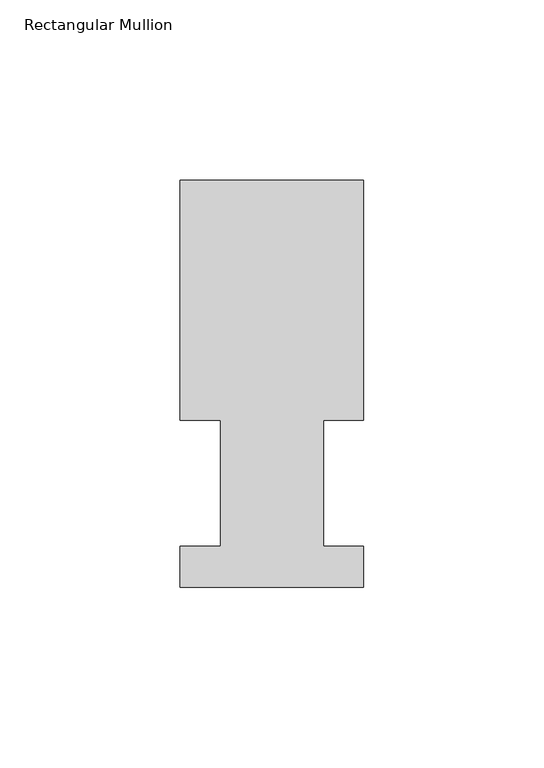
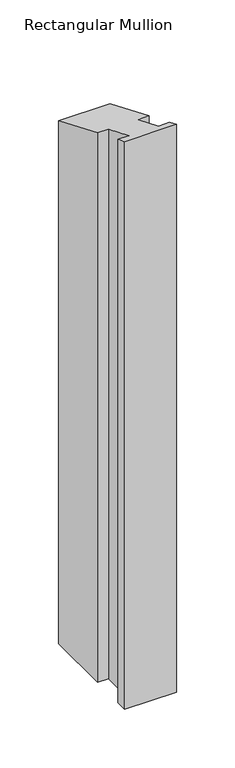
"""IFC4 building model written with IfcOpenShell, lengths in millimetres: member geometry, Rectangular Mullion."""

from ifc_helpers import new_model, si_unit, origin, place, context, project, spatial, faceted_brep, source, transform, mapped, element, save


def rectangular_mullion_d5bd902c(model_context):
    return source(origin(), model_context, "Body", "Brep", [
        faceted_brep([(-50.8, 0.739775, -590.702387), (-50.8, 12.144375, -590.702387), (-39.6875, 12.144375, -590.702387), (-39.6875, 47.069375, -590.702387), (-50.8, 47.069375, -590.702387), (-50.8, 113.464975, -590.702387), (0.0, 113.464975, -590.702387), (0.0, 47.069375, -590.702387), (-11.0998, 47.069375, -590.702387), (-11.0998, 12.144375, -590.702387), (0.0, 12.144375, -590.702387), (0.0, 0.739775, -590.702387), (0.0, 0.739775, -0.3064248), (-50.8, 0.739775, -0.3064248), (0.0, 12.144375, -5.0303648), (-11.0998, 12.144375, -5.0303648), (-11.0998, 47.069375, -19.4967735), (0.0, 47.069375, -19.4967735), (0.0, 113.464975, -46.9987315), (-50.8, 113.464975, -46.9987315), (-50.8, 47.069375, -19.4967735), (-39.6875, 47.069375, -19.4967735), (-39.6875, 12.144375, -5.0303648), (-50.8, 12.144375, -5.0303648)], [[[0, 1, 2, 3, 4, 5, 6, 7, 8, 9, 10, 11]], [[12, 13, 0, 11]], [[14, 12, 11, 10]], [[15, 14, 10, 9]], [[16, 15, 9, 8]], [[17, 16, 8, 7]], [[18, 17, 7, 6]], [[19, 18, 6, 5]], [[20, 19, 5, 4]], [[21, 20, 4, 3]], [[22, 21, 3, 2]], [[23, 22, 2, 1]], [[13, 23, 1, 0]], [[13, 12, 14, 15, 16, 17, 18, 19, 20, 21, 22, 23]]]),
    ])


if __name__ == "__main__":
    model = new_model("IFC4")
    model_context = context("Model", 3, world=origin())
    ifc_project = project(units=[si_unit("LENGTHUNIT", "METRE", prefix="MILLI")], contexts=[model_context])
    site = spatial("IfcSite", under=ifc_project)
    building = spatial("IfcBuilding", under=site)
    placement = place(None, origin())
    rectangular_mullion_shape = rectangular_mullion_d5bd902c(model_context)
    element("IfcMember", 1, ObjectType="Rectangular Mullion", at=placement, inside=building, context=model_context, shape_type="MappedRepresentation", body=[
        mapped(rectangular_mullion_shape, transform((0.0, 0.0, 0.0), x_axis=(1.0, 0.0, 0.0), y_axis=(0.0, 1.0, 0.0), z_axis=(0.0, 0.0, 1.0))),
    ])
    save(model, "model.ifc")
